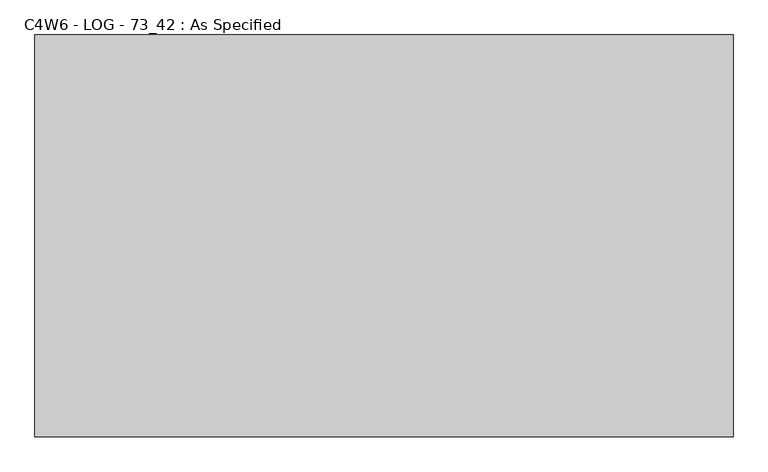
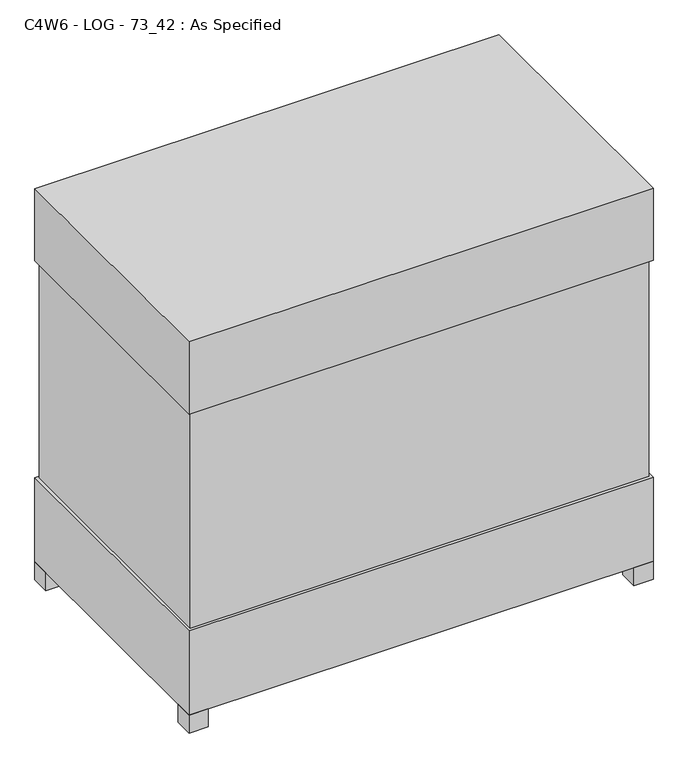
"""IFC4 building model written with IfcOpenShell, lengths in millimetres: proxy geometry, C4W6 - LOG - 73_42 : As Specified."""

from ifc_helpers import new_model, si_unit, frame, origin, origin_with_axes, place, context, project, spatial, polyline, outline, extrude, source, transform, mapped, element, save


def c4w6_log_73_42_as_specified_9882353d(model_context):
    return source(origin(), model_context, "Body", "SweptSolid", [
        extrude(outline(polyline([(915.9875, 522.2875), (915.9875, -522.2875), (-915.9875, -522.2875), (-915.9875, 522.2875), (915.9875, 522.2875)])), frame((0.0, 0.0, 431.8), z_axis=(0.0, 0.0, 1.0), x_axis=(1.0, 0.0, 0.0)), (0.0, 0.0, 1.0), 914.4),
        extrude(outline(polyline([(927.1, 533.4), (927.1, -533.4), (-927.1, -533.4), (-927.1, 533.4), (927.1, 533.4)])), frame((0.0, 0.0, 1346.2), z_axis=(0.0, 0.0, 1.0), x_axis=(1.0, 0.0, 0.0)), (0.0, 0.0, 1.0), 304.8),
        extrude(outline(polyline([(812.8, 317.5), (812.8, 241.3), (736.6, 241.3), (736.6, 317.5), (812.8, 317.5)])), frame((0.0, 0.0, 50.8), z_axis=(0.0, 0.0, 1.0), x_axis=(1.0, 0.0, 0.0)), (0.0, 0.0, 1.0), 25.4),
        extrude(outline(polyline([(812.8, -241.3), (812.8, -317.5), (736.6, -317.5), (736.6, -241.3), (812.8, -241.3)])), frame((0.0, 0.0, 50.8), z_axis=(0.0, 0.0, 1.0), x_axis=(1.0, 0.0, 0.0)), (0.0, 0.0, 1.0), 25.4),
        extrude(outline(polyline([(-850.9, 533.4), (-850.9, 457.2), (-927.1, 457.2), (-927.1, 533.4), (-850.9, 533.4)])), origin_with_axes(), (0.0, 0.0, 1.0), 76.2),
        extrude(outline(polyline([(927.1, 533.4), (927.1, 457.2), (850.9, 457.2), (850.9, 533.4), (927.1, 533.4)])), origin_with_axes(), (0.0, 0.0, 1.0), 76.2),
        extrude(outline(polyline([(927.1, -457.2), (927.1, -533.4), (850.9, -533.4), (850.9, -457.2), (927.1, -457.2)])), origin_with_axes(), (0.0, 0.0, 1.0), 76.2),
        extrude(outline(polyline([(-850.9, -457.2), (-850.9, -533.4), (-927.1, -533.4), (-927.1, -457.2), (-850.9, -457.2)])), origin_with_axes(), (0.0, 0.0, 1.0), 76.2),
        extrude(outline(polyline([(927.1, 533.4), (927.1, -533.4), (-927.1, -533.4), (-927.1, 533.4), (927.1, 533.4)])), frame((0.0, 0.0, 76.2), z_axis=(0.0, 0.0, 1.0), x_axis=(1.0, 0.0, 0.0)), (0.0, 0.0, 1.0), 355.6),
    ])


if __name__ == "__main__":
    model = new_model("IFC4")
    model_context = context("Model", 3, world=origin())
    ifc_project = project(units=[si_unit("LENGTHUNIT", "METRE", prefix="MILLI")], contexts=[model_context])
    site = spatial("IfcSite", under=ifc_project)
    building = spatial("IfcBuilding", under=site)
    placement = place(None, origin())
    c4w6_log_73_42_as_specified_shape = c4w6_log_73_42_as_specified_9882353d(model_context)
    element("IfcBuildingElementProxy", 1, Name="C4W6 - LOG - 73_42 : As Specified", ObjectType="C4W6 - LOG - 73_42 : As Specified", at=placement, inside=building, context=model_context, shape_type="MappedRepresentation", body=[
        mapped(c4w6_log_73_42_as_specified_shape, transform((0.0, 0.0, 0.0), x_axis=(1.0, 0.0, 0.0), y_axis=(0.0, 1.0, 0.0), z_axis=(0.0, 0.0, 1.0))),
    ])
    save(model, "model.ifc")
